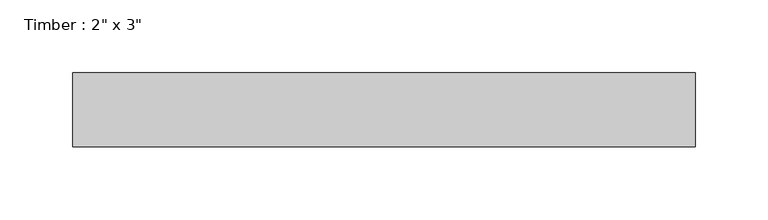
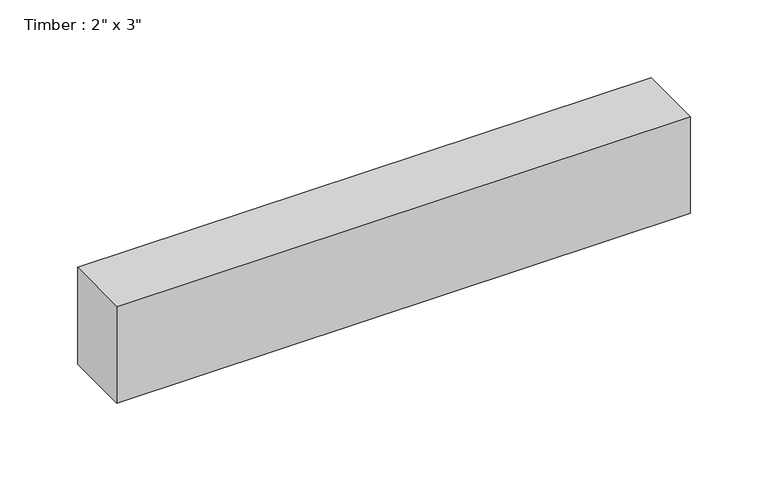
"""IFC4 building model written with IfcOpenShell, lengths in millimetres: beam geometry."""

import ifcopenshell
import ifcopenshell.guid

model = None  # the IFC model being written
_history = None  # IfcOwnerHistory: only IFC2X3 demands one
_inside = {}  # id of a spatial element -> (the spatial element, [elements in it])
_under = {}  # id of a project, library or spatial element -> (it, [spatial elements below it])
_declared = {}  # id of a project -> (the project, [libraries it declares])
_typed = {}  # id of a type object -> (the type object, [elements of that type])
_made_of = {}  # id of a material, layer set ... -> (it, [elements and type objects made of it])


def new_model(schema):
    """Start an empty IFC model of exactly this schema.

    Asked for "IFC4X3", IfcOpenShell would pick the latest addendum, in which some entities
    have other attributes; the version numbers below select the first issue.
    IFC2X3 requires an IfcOwnerHistory on every rooted entity: one is made here for all.
    """
    global model, _history
    if schema == "IFC4X3":
        model = ifcopenshell.file(schema_version=(4, 3, 0, 0))
    else:
        model = ifcopenshell.file(schema=schema)
    _inside.clear()
    _under.clear()
    _declared.clear()
    _typed.clear()
    _made_of.clear()
    _history = None
    if model.schema == "IFC2X3":
        org = make("IfcOrganization", Name="unknown")
        user = make(
            "IfcPersonAndOrganization",
            ThePerson=make("IfcPerson", FamilyName="unknown"),
            TheOrganization=org,
        )
        app = make(
            "IfcApplication",
            ApplicationDeveloper=org,
            Version="unknown",
            ApplicationFullName="unknown",
            ApplicationIdentifier="unknown",
        )
        _history = make(
            "IfcOwnerHistory",
            OwningUser=user,
            OwningApplication=app,
            ChangeAction="ADDED",
            CreationDate=0,
        )
    return model


def make(cls, **values):
    """One entity of the class cls with the attributes given. An attribute that is None is left unset."""
    return model.create_entity(
        cls, **{name: value for name, value in values.items() if value is not None}
    )


def rooted(cls, **values):
    """An entity with a GlobalId (a new one), such as an element, a storey or a relation."""
    return make(cls, GlobalId=ifcopenshell.guid.new(), OwnerHistory=_history, **values)


def si_unit(unit_type, name, prefix=None):
    """IfcSIUnit, for example si_unit("LENGTHUNIT", "METRE", prefix="MILLI")."""
    return make("IfcSIUnit", UnitType=unit_type, Prefix=prefix, Name=name)


def assignment(units):
    """IfcUnitAssignment: the units of a project."""
    return None if units is None else make("IfcUnitAssignment", Units=units)


def point(xyz):
    """IfcCartesianPoint."""
    return None if xyz is None else make("IfcCartesianPoint", Coordinates=xyz)


def direction(xyz):
    """IfcDirection."""
    return None if xyz is None else make("IfcDirection", DirectionRatios=xyz)


def frame(location, z_axis=None, x_axis=None):
    """IfcAxis2Placement3D, a coordinate frame: its origin and axes. An axis left out is left unset."""
    return make(
        "IfcAxis2Placement3D",
        Location=point(location),
        Axis=direction(z_axis),
        RefDirection=direction(x_axis),
    )


def origin():
    """The frame at (0, 0, 0) with its axes left unset."""
    return frame((0.0, 0.0, 0.0))


def place(relative_to, where):
    """IfcLocalPlacement: puts the frame where relative to a parent placement (None: the world)."""
    return make(
        "IfcLocalPlacement", PlacementRelTo=relative_to, RelativePlacement=where
    )


def context(
    kind, dimensions, precision=None, world=None, true_north=None, identifier=None
):
    """IfcGeometricRepresentationContext, for example the 3D "Model" context."""
    return make(
        "IfcGeometricRepresentationContext",
        ContextIdentifier=identifier,
        ContextType=kind,
        CoordinateSpaceDimension=dimensions,
        Precision=precision,
        WorldCoordinateSystem=world,
        TrueNorth=true_north,
    )


def project(units=None, contexts=None):
    """IfcProject with its units and contexts."""
    return rooted(
        "IfcProject",
        Name="project",
        RepresentationContexts=contexts,
        UnitsInContext=assignment(units),
    )


def spatial(cls, under=None, at=None, **own):
    """A site, building, storey or space (cls), placed at a placement, below another one or the project."""
    s = rooted(cls, ObjectPlacement=at, **own)
    if under is not None:
        _under.setdefault(under.id(), (under, []))[1].append(s)
    return s


def polyline(points):
    """IfcPolyline through the points."""
    return make("IfcPolyline", Points=[point(p) for p in points])


def outline(outer, holes=None, kind="AREA"):
    """IfcArbitraryClosedProfileDef: a profile drawn as a closed curve; with holes, ...WithVoids."""
    if holes is None:
        return make("IfcArbitraryClosedProfileDef", ProfileType=kind, OuterCurve=outer)
    return make(
        "IfcArbitraryProfileDefWithVoids",
        ProfileType=kind,
        OuterCurve=outer,
        InnerCurves=holes,
    )


def extrude(swept, where, along, depth):
    """IfcExtrudedAreaSolid: the profile swept, set in the frame where, extruded along a direction by depth."""
    return make(
        "IfcExtrudedAreaSolid",
        SweptArea=swept,
        Position=where,
        ExtrudedDirection=direction(along),
        Depth=depth,
    )


def shape(context_of_items, identifier, shape_type, items):
    """IfcShapeRepresentation: the items that make up one representation, for example the "Body"."""
    return make(
        "IfcShapeRepresentation",
        ContextOfItems=context_of_items,
        RepresentationIdentifier=identifier,
        RepresentationType=shape_type,
        Items=items,
    )


def source(mapping_origin, context_of_items, identifier, shape_type, items):
    """IfcRepresentationMap: a shape defined once, which mapped items show again and again."""
    return make(
        "IfcRepresentationMap",
        MappingOrigin=mapping_origin,
        MappedRepresentation=shape(context_of_items, identifier, shape_type, items),
    )


def transform(
    local_origin,
    x_axis=None,
    y_axis=None,
    z_axis=None,
    scale=None,
    scale2=None,
    scale3=None,
    uniform=True,
):
    """IfcCartesianTransformationOperator3D, or its non-uniform kind. x_axis, y_axis, z_axis: its Axis1, 2, 3."""
    if uniform:
        return make(
            "IfcCartesianTransformationOperator3D",
            Axis1=direction(x_axis),
            Axis2=direction(y_axis),
            LocalOrigin=point(local_origin),
            Scale=scale,
            Axis3=direction(z_axis),
        )
    return make(
        "IfcCartesianTransformationOperator3DnonUniform",
        Axis1=direction(x_axis),
        Axis2=direction(y_axis),
        LocalOrigin=point(local_origin),
        Scale=scale,
        Axis3=direction(z_axis),
        Scale2=scale2,
        Scale3=scale3,
    )


def mapped(mapping_source, mapping_target):
    """IfcMappedItem: shows the shape of a source again, moved by a transform."""
    return make(
        "IfcMappedItem", MappingSource=mapping_source, MappingTarget=mapping_target
    )


def made_of(thing, what):
    """Note that an element or type object is made of a material, layer set ...; save() writes the relation."""
    if what is not None:
        _made_of.setdefault(what.id(), (what, []))[1].append(thing)
    return thing


def element(
    cls,
    number,
    at=None,
    inside=None,
    cuts=None,
    type_object=None,
    material=None,
    context=None,
    identifier="Body",
    shape_type=None,
    held_by="IfcProductDefinitionShape",
    body=None,
    shapes=None,
    **own,
):
    """One element of the class cls, such as IfcWall. Its Tag is "e" and its number.

    at: its placement. inside: the storey or other place that contains it. cuts: it is an
    opening in that element (IfcRelVoidsElement). A single representation is given by context,
    identifier, shape_type and body (its items); several are given by shapes. held_by: the class
    of the entity that holds the representations. save() writes the other relations.
    """
    e = rooted(cls, Tag="e%d" % number, ObjectPlacement=at, **own)
    if body is not None:
        shapes = [shape(context, identifier, shape_type, body)]
    if shapes is not None:
        e.Representation = make(held_by, Representations=shapes)
    if inside is not None:
        _inside.setdefault(inside.id(), (inside, []))[1].append(e)
    if cuts is not None:
        rooted(
            "IfcRelVoidsElement", RelatingBuildingElement=cuts, RelatedOpeningElement=e
        )
    if type_object is not None:
        _typed.setdefault(type_object.id(), (type_object, []))[1].append(e)
    return made_of(e, material)


def aggregate(whole, parts):
    """IfcRelAggregates: a whole, such as a stair, and the parts it consists of."""
    return rooted("IfcRelAggregates", RelatingObject=whole, RelatedObjects=parts)


def save(model, path):
    """Write the relations noted so far, then the file.

    IfcRelAggregates (storeys below a building ...), IfcRelContainedInSpatialStructure (elements
    in a storey), IfcRelDefinesByType, IfcRelAssociatesMaterial and IfcRelDeclares: one each for
    every whole, place, type object, material and project.
    """
    for whole, parts in _under.values():
        aggregate(whole, parts)
    for where, things in _inside.values():
        rooted(
            "IfcRelContainedInSpatialStructure",
            RelatedElements=things,
            RelatingStructure=where,
        )
    for kind, things in _typed.values():
        rooted("IfcRelDefinesByType", RelatedObjects=things, RelatingType=kind)
    for what, things in _made_of.values():
        rooted("IfcRelAssociatesMaterial", RelatedObjects=things, RelatingMaterial=what)
    for by, libraries in _declared.values():
        rooted("IfcRelDeclares", RelatingContext=by, RelatedDefinitions=libraries)
    model.write(path)


def beam_6b88a976(model_context):
    return source(origin(), model_context, "Body", "SweptSolid", [
        extrude(outline(polyline([(213.5903543, -25.4), (-213.5903543, -25.4), (-213.5903543, 25.4), (213.5903543, 25.4), (213.5903543, -25.4)])), frame((0.0, 0.0, -38.1), z_axis=(0.0, 0.0, 1.0), x_axis=(1.0, 0.0, 0.0)), (0.0, 0.0, 1.0), 76.2),
    ])


if __name__ == "__main__":
    model = new_model("IFC4")
    model_context = context("Model", 3, world=origin())
    ifc_project = project(units=[si_unit("LENGTHUNIT", "METRE", prefix="MILLI")], contexts=[model_context])
    site = spatial("IfcSite", under=ifc_project)
    building = spatial("IfcBuilding", under=site)
    placement = place(None, origin())
    beam_shape = beam_6b88a976(model_context)
    element("IfcBeam", 1, ObjectType="Timber : 2\" x 3\"", at=placement, inside=building, context=model_context, shape_type="MappedRepresentation", body=[
        mapped(beam_shape, transform((0.0, 0.0, 0.0), x_axis=(1.0, 0.0, 0.0), y_axis=(0.0, 1.0, 0.0), z_axis=(0.0, 0.0, 1.0))),
    ])
    save(model, "model.ifc")
